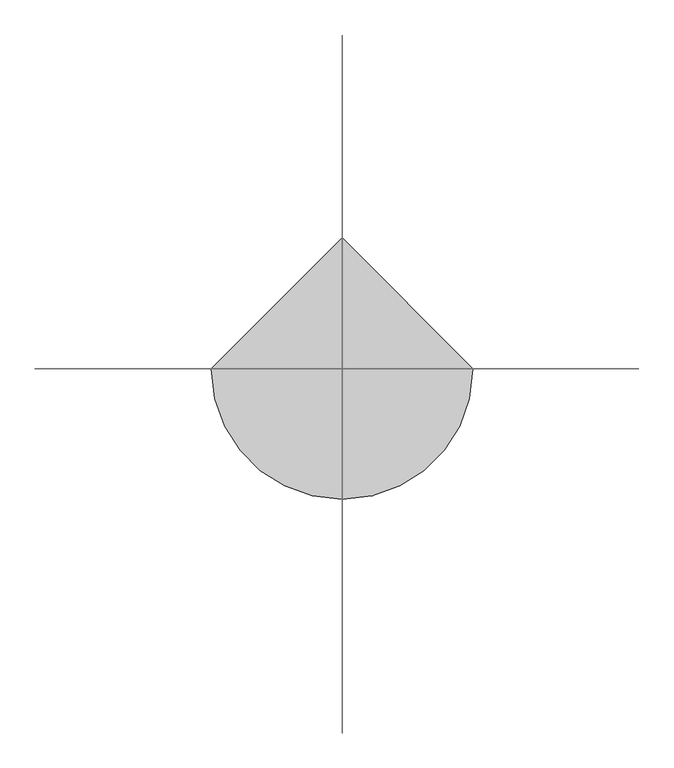
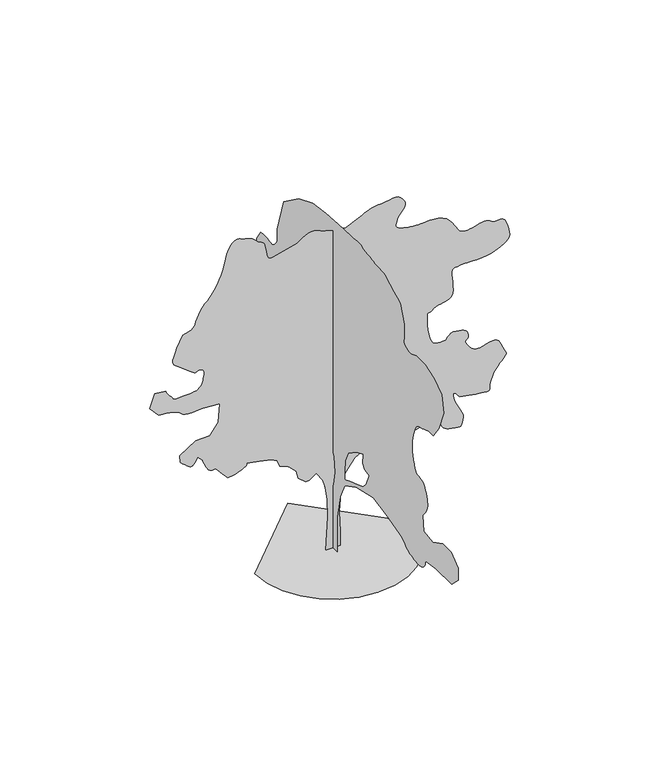
"""IFC4 building model written with IfcOpenShell, lengths in millimetres: geographic element geometry."""

from ifc_helpers import new_model, si_unit, origin, place, context, project, spatial, triangles, source, transform, mapped, element, save


def geographic_element_c53e9e7f(model_context):
    return source(origin(), model_context, "Body", "Tessellation", [
        triangles([(154.5387321, 0.0003833, 0.0187505), (-149.642156, 0.0003833, 0.0187505), (-106.1871776, 0.0003405, 717.0148825), (-117.051113, 0.0003185, 1086.3780928), (-160.5051012, 0.0003017, 1368.8308376), (-203.9600796, 0.0002913, 1542.6492977), (-345.1849986, 0.0002797, 1738.1941933), (-486.4138418, 0.0002855, 1640.4205101), (-562.4586551, 0.0002862, 1629.557365), (-714.5482452, 0.0002784, 1759.9204834), (-758.0034416, 0.000268, 1933.7389435), (-910.0929955, 0.000259, 2085.8284973), (-1094.7746733, 0.0002544, 2161.8732742), (-1149.0930874, 0.0002467, 2292.2365379), (-1268.5930607, 0.0002428, 2357.4181698), (-1518.4538269, 0.0002395, 2411.7365112), (-1768.3170639, 0.0002369, 2455.1893822), (-1766.353521, 0.0002375, 2445.7838516), (-1766.5756004, 0.0002381, 2435.806263), (-1771.1684887, 0.0002388, 2424.6890636), (-1782.3178082, 0.0002395, 2411.8623756), (-1802.2065651, 0.0002404, 2396.7539955), (-1833.0250328, 0.0002415, 2378.7966614), (-1876.9538921, 0.0002428, 2357.4181698), (-1925.9491573, 0.000244, 2336.6735058), (-1970.9560032, 0.000245, 2320.4872845), (-2012.6351452, 0.0002457, 2308.1046101), (-2051.6577633, 0.0002463, 2298.760849), (-2088.6823929, 0.0002467, 2291.6987801), (-2124.375127, 0.000247, 2286.1562405), (-2159.4067097, 0.0002473, 2281.3733929), (-2278.906683, 0.0002395, 2411.7365112), (-2409.2699467, 0.0002305, 2563.8260651), (-2434.8615532, 0.0002307, 2559.4600525), (-2460.35709, 0.0002309, 2556.7962616), (-2485.6575806, 0.0002308, 2557.5607498), (-2510.6941338, 0.0002305, 2563.4560295), (-2535.3362343, 0.0002297, 2576.1840317), (-2559.4847603, 0.0002285, 2597.4713951), (-2583.0908775, 0.0002266, 2628.995343), (-2604.4767815, 0.0002244, 2664.9841347), (-2622.4341156, 0.0002224, 2698.6785896), (-2637.5299965, 0.0002205, 2730.4740326), (-2650.3568298, 0.0002187, 2760.7646255), (-2661.4814415, 0.000217, 2789.8959869), (-2671.4468216, 0.0002153, 2818.2872772), (-2680.8692116, 0.0002136, 2846.2838242), (-2778.6231285, 0.0002078, 2944.0624489), (-2843.8171143, 0.0002136, 2846.2838242), (-2855.5832565, 0.0002147, 2827.9317467), (-2868.2371353, 0.0002157, 2811.3065987), (-2882.568528, 0.0002165, 2798.1100204), (-2899.4898788, 0.000217, 2790.0192352), (-2919.8150917, 0.0002171, 2788.7858803), (-2944.4324844, 0.0002166, 2796.1118866), (-2974.180378, 0.0002156, 2813.6991852), (-3007.1350525, 0.0002141, 2838.6124901), (-3039.7443993, 0.0002125, 2865.4498055), (-3070.2323639, 0.0002109, 2892.0897491), (-3096.9461403, 0.0002094, 2916.4356468), (-3118.1349632, 0.0002083, 2936.4158226), (-3132.0963203, 0.0002074, 2949.9330208), (-3137.1282806, 0.0002072, 2954.9158562), (-3147.9816879, 0.0001981, 3107.0103516), (-2822.0858826, 0.0001858, 3313.4207176), (-2528.7747162, 0.0001851, 3324.2741249), (-2354.9514599, 0.0001715, 3552.4157227), (-2322.3594086, 0.0001482, 3943.5055138), (-2680.8692116, 0.0001463, 3976.0901527), (-2757.4098885, 0.0001468, 3967.0866325), (-2832.3471748, 0.0001472, 3960.0074135), (-2904.0532631, 0.0001474, 3956.702092), (-2970.924472, 0.0001473, 3959.1193863), (-3031.3082863, 0.0001467, 3969.134182), (-3083.6263138, 0.0001455, 3988.645491), (-3126.2748734, 0.0001437, 4019.5526161), (-3169.2196358, 0.0001417, 4052.6799545), (-3222.4253998, 0.0001402, 4078.3827461), (-3284.1908157, 0.000139, 4097.9431801), (-3352.7886635, 0.0001382, 4112.5457771), (-3426.5173027, 0.0001375, 4123.4238922), (-3503.6745117, 0.000137, 4131.8600052), (-3582.5336517, 0.0001366, 4139.0377647), (-3767.2127861, 0.0001243, 4345.4484215), (-3658.5810448, 0.0001074, 4627.9061806), (-3441.3172714, 0.0001087, 4606.1746582), (-3427.2817909, 0.0001103, 4580.6201134), (-3412.8765656, 0.0001118, 4555.3367729), (-3397.7065613, 0.0001132, 4530.6455475), (-3381.3773254, 0.0001147, 4506.7929337), (-3363.5432396, 0.000116, 4484.0748436), (-3343.8101418, 0.0001173, 4462.812188), (-3321.807415, 0.0001184, 4443.2270462), (-3305.3055153, 0.0001195, 4424.7517204), (-3297.5600578, 0.0001206, 4407.2382545), (-3291.3194504, 0.0001215, 4391.624382), (-3279.3806442, 0.0001223, 4378.8716721), (-3254.5167549, 0.0001228, 4369.9175674), (-3209.5000259, 0.0001231, 4365.6998016), (-3137.1282806, 0.000123, 4367.1796532), (-3056.9122467, 0.0001227, 4371.8415779), (-2991.4964722, 0.0001224, 4376.5037933), (-2938.4383736, 0.0001221, 4381.1410103), (-2895.2718224, 0.0001219, 4385.802935), (-2859.529818, 0.0001216, 4390.4648598), (-2828.6965256, 0.0001213, 4395.1270752), (-2800.3546509, 0.000121, 4399.7642921), (-2772.6046005, 0.0001198, 4420.8295761), (-2746.0140724, 0.0001185, 4442.5608078), (-2721.6925919, 0.0001171, 4465.6242256), (-2700.775264, 0.0001156, 4490.6607788), (-2684.4460281, 0.000114, 4518.3861214), (-2673.7899925, 0.0001121, 4549.4167854), (-2669.9913872, 0.00011, 4584.4434265), (-2666.1433662, 0.0001077, 4623.3427963), (-2657.7072533, 0.0001053, 4664.1414688), (-2649.4688026, 0.0001029, 4704.7427696), (-2646.1878983, 0.0001006, 4743.0747322), (-2652.5767525, 9.85e-05, 4777.0159744), (-2673.419957, 9.69e-05, 4804.5192375), (-2713.4538506, 9.58e-05, 4823.4631393), (-2753.6112831, 9.55e-05, 4827.7059036), (-2778.0065964, 9.61e-05, 4818.8259224), (-2796.1118866, 9.68e-05, 4806.3447075), (-2817.4730827, 9.72e-05, 4799.7584816), (-2851.5378639, 9.67e-05, 4808.5646301), (-2907.8518684, 9.47e-05, 4842.2590851), (-2995.9116096, 9.06e-05, 4910.363649), (-3093.6164017, 8.61e-05, 4986.2136703), (-3172.3275856, 8.27e-05, 5042.3055954), (-3231.6507088, 8.01e-05, 5086.8040421), (-3271.1913185, 7.76e-05, 5127.8986267), (-3290.6040871, 7.49e-05, 5173.7051331), (-3289.4939804, 7.14e-05, 5232.460849), (-3267.4915443, 6.66e-05, 5312.3065567), (-3236.1646774, 6.15e-05, 5397.8257553), (-3207.1321472, 5.73e-05, 5469.6550919), (-3179.9742119, 5.37e-05, 5530.0886124), (-3154.3702515, 5.06e-05, 5581.3953644), (-3129.876107, 4.8e-05, 5625.8688126), (-3106.1470322, 4.56e-05, 5665.7797485), (-3082.81241, 4.33e-05, 5703.3960571), (-3038.7575409, 4.28e-05, 5712.9669846), (-2995.7389458, 4.21e-05, 5724.0424713), (-2954.817025, 4.13e-05, 5738.1764923), (-2917.0277618, 4.01e-05, 5756.8736069), (-2883.4318474, 3.87e-05, 5781.6389557), (-2855.0652649, 3.67e-05, 5814.0015152), (-2832.9392899, 3.43e-05, 5855.4908432), (-2817.1771706, 3.18e-05, 5897.3749146), (-2805.2139473, 2.97e-05, 5932.401265), (-2794.1878761, 2.78e-05, 5964.3940796), (-2781.2625023, 2.58e-05, 5997.1269653), (-2763.5766632, 2.36e-05, 6034.4473618), (-2738.3180305, 2.09e-05, 6080.10504), (-2702.5760262, 1.74e-05, 6137.9486023), (-2665.3294624, 1.43e-05, 6190.7349152), (-2634.7426666, 1.22e-05, 6225.120607), (-2606.8199524, 1.07e-05, 6250.5516129), (-2577.5406349, 9.2e-06, 6276.5506073), (-2542.9581528, 7e-06, 6312.612941), (-2499.0515305, 3.7e-06, 6368.2612885), (-2441.8593819, -1.3e-06, 6452.9910004), (-2383.0122471, -7.2e-06, 6551.6820694), (-2335.568486, -1.27e-05, 6643.9107422), (-2297.6237091, -1.79e-05, 6731.2059952), (-2267.2812298, -2.29e-05, 6815.0723877), (-2242.6392746, -2.78e-05, 6897.0400589), (-2221.8008663, -3.27e-05, 6978.6368225), (-2202.8594353, -3.76e-05, 7061.3445648), (-2179.771455, -4.26e-05, 7144.3970535), (-2148.5114445, -4.72e-05, 7222.8864487), (-2110.218869, -5.14e-05, 7292.248494), (-2066.0359554, -5.47e-05, 7347.9212585), (-2017.1023144, -5.69e-05, 7385.3654846), (-1964.559882, -5.78e-05, 7399.9924988), (-1909.5434727, -5.7e-05, 7387.2647873), (-1854.9734024, -5.56e-05, 7363.9795807), (-1802.870042, -5.47e-05, 7347.3538513), (-1753.0508446, -5.38e-05, 7333.3924942), (-1705.3209091, -5.29e-05, 7318.0992416), (-1659.4902763, -5.17e-05, 7297.4778259), (-1615.3714577, -4.99e-05, 7267.5325607), (-1572.7721684, -4.73e-05, 7224.3165939), (-1533.465992, -4.5e-05, 7185.4666397), (-1499.1028278, -4.38e-05, 7165.0673035), (-1469.2981064, -4.31e-05, 7153.6220718), (-1443.6768505, -4.24e-05, 7141.5850159), (-1421.8543453, -4.11e-05, 7119.4834579), (-1403.4529976, -3.86e-05, 7077.797049), (-1388.0905632, -3.44e-05, 7007.0281128), (-1375.106036, -2.96e-05, 6926.4673325), (-1362.6913868, -2.57e-05, 6861.273056), (-1348.7547375, -2.27e-05, 6810.9284546), (-1331.2092968, -2.05e-05, 6774.8167053), (-1307.9610065, -1.92e-05, 6752.3948181), (-1276.9229301, -1.86e-05, 6743.0703873), (-1236.0010094, -1.88e-05, 6746.3021667), (-736.2770788, -2.66e-05, 6876.6651398), (-678.0613008, -2.91e-05, 6918.1050522), (-619.7543221, -3.14e-05, 6956.6835114), (-561.2549131, -3.33e-05, 6989.5396454), (-502.4718369, -3.48e-05, 7013.8858337), (-443.306444, -3.55e-05, 7026.7862091), (-383.6674244, -3.55e-05, 7025.4793121), (-323.4585995, -3.44e-05, 7007.0281128), (-263.8837293, -3.28e-05, 6981.3256119), (-206.018257, -3.15e-05, 6959.5943802), (-149.57827, -3.04e-05, 6941.1931778), (-94.2786203, -2.95e-05, 6925.4557663), (-39.8339149, -2.87e-05, 6911.6920715), (14.0404504, -2.79e-05, 6899.2846893), (67.6297655, -2.72e-05, 6887.5429642), (263.1757965, -2.6e-05, 6865.8117325), (567.3549768, -3.37e-05, 6996.1752869), (611.7598246, -3.54e-05, 7023.9247559), (657.2106113, -3.7e-05, 7050.5155746), (704.7506601, -3.84e-05, 7074.8367645), (755.4257647, -3.97e-05, 7095.7540924), (810.2819366, -4.06e-05, 7112.0833282), (870.3649698, -4.13e-05, 7122.7396545), (936.7181871, -4.15e-05, 7126.5382599), (1008.7398811, -4.18e-05, 7131.6687607), (1083.2331539, -4.25e-05, 7143.6319839), (1157.346508, -4.33e-05, 7157.3224274), (1228.2285187, -4.39e-05, 7167.583429), (1293.0303772, -4.4e-05, 7169.2856506), (1348.9002228, -4.33e-05, 7157.3224274), (1392.9893921, -4.15e-05, 7126.5382599), (1427.384531, -3.91e-05, 7086.4302429), (1455.3195992, -3.69e-05, 7049.1836792), (1475.6522243, -3.48e-05, 7013.6637543), (1487.2455574, -3.27e-05, 6978.6862381), (1488.9550461, -3.06e-05, 6943.1418961), (1479.6432598, -2.83e-05, 6905.8953323), (1458.1685532, -2.6e-05, 6865.8117325), (1431.5655258, -2.38e-05, 6829.329657), (1407.6216385, -2.21e-05, 6801.3825256), (1386.3368912, -2.08e-05, 6778.5908936), (1367.713464, -1.95e-05, 6757.5009018), (1351.7517929, -1.81e-05, 6734.6842712), (1338.4489712, -1.65e-05, 6706.761557), (1327.8052895, -1.43e-05, 6670.254483), (1316.5943459, -1.2e-05, 6630.8865372), (1304.6237103, -9.9e-06, 6596.0822662), (1296.4515347, -8e-06, 6565.0760193), (1296.641494, -6.4e-06, 6537.1038895), (1309.7543564, -4.8e-06, 6511.426387), (1340.3482738, -3.4e-06, 6487.2528625), (1392.9893921, -2e-06, 6463.8444077), (1459.1822994, -8e-07, 6443.7409836), (1526.1375149, 1e-07, 6429.3354675), (1591.9529743, 6e-07, 6419.6662903), (1654.727195, 1e-06, 6413.8201355), (1712.5605835, 1.2e-06, 6410.8110168), (1763.5539825, 1.2e-06, 6409.7012009), (1805.8054733, 1.2e-06, 6409.528537), (1853.5354088, 1.1e-06, 6412.1679108), (1918.9389748, 8e-07, 6417.2734131), (1997.0730137, 6e-07, 6420.652858), (2082.9993095, 7e-07, 6418.161731), (2171.7770302, 1.5e-06, 6405.5816849), (2258.463018, 3.1e-06, 6378.7443695), (2338.1213825, 5.8e-06, 6333.4808533), (2404.5683441, 9.3e-06, 6273.6641556), (2457.3351814, 1.32e-05, 6208.69254), (2500.0380981, 1.71e-05, 6142.7831909), (2536.2733864, 2.09e-05, 6080.10504), (2569.6475121, 2.42e-05, 6024.8520172), (2603.7861259, 2.68e-05, 5981.1674744), (2642.2907524, 2.84e-05, 5953.2691772), (2685.4820114, 2.93e-05, 5939.3822342), (2730.9179008, 2.96e-05, 5934.0784882), (2778.2778008, 2.95e-05, 5935.879541), (2827.1425507, 2.9e-05, 5943.3779205), (2877.1418243, 2.83e-05, 5955.1684799), (2927.930294, 2.75e-05, 5969.7960754), (2979.0643822, 2.65e-05, 5985.8538162), (3025.5115471, 2.6e-05, 5994.8823349), (3071.169516, 2.55e-05, 6002.2080505), (3115.3229256, 2.53e-05, 6006.1054871), (3157.2069969, 2.54e-05, 6004.8718414), (3196.0322433, 2.58e-05, 5996.7816376), (3231.0588844, 2.68e-05, 5980.1559082), (3261.5221413, 2.84e-05, 5953.2691772), (3295.4880913, 2.96e-05, 5933.5360794), (3338.9261375, 2.97e-05, 5932.4262634), (3388.0865089, 2.93e-05, 5939.3078201), (3439.1464737, 2.9e-05, 5943.5011688), (3488.3071358, 2.96e-05, 5934.4243973), (3531.745182, 3.15e-05, 5901.3955994), (3565.711132, 3.56e-05, 5833.7596115), (3592.474324, 4.06e-05, 5749.3008133), (3614.8717941, 4.52e-05, 5672.809552), (3629.8444267, 4.92e-05, 5604.3102448), (3634.3831032, 5.28e-05, 5543.7784744), (3625.4042908, 5.6e-05, 5491.2386581), (3599.9238693, 5.86e-05, 5446.6657974), (3554.833017, 6.08e-05, 5410.0854721), (3500.9613052, 6.27e-05, 5377.6484985), (3448.4211983, 6.46e-05, 5346.1742569), (3393.2173004, 6.64e-05, 5316.5987366), (3331.353344, 6.8e-05, 5289.8602524), (3258.8580597, 6.93e-05, 5266.9203735), (3171.7354706, 7.04e-05, 5248.7406693), (3065.9895996, 7.12e-05, 5236.2594543), (2962.6116074, 7.15e-05, 5229.969722), (2881.4584213, 7.16e-05, 5228.4157471), (2816.8565506, 7.16e-05, 5229.722644), (2763.0586716, 7.14e-05, 5231.9672745), (2714.4160011, 7.14e-05, 5233.2503357), (2665.2059235, 7.14e-05, 5231.6963608), (2609.7061134, 7.18e-05, 5225.4060471), (2556.2041466, 7.22e-05, 5218.7215714), (2515.6522614, 7.25e-05, 5214.5032242), (2486.2741127, 7.28e-05, 5208.5832367), (2466.4250336, 7.35e-05, 5196.7682602), (2454.3580376, 7.48e-05, 5174.8887817), (2448.3714844, 7.7e-05, 5138.752034), (2446.7558853, 8.02e-05, 5084.1896667), (2451.1268394, 8.46e-05, 5010.8557709), (2460.4384804, 8.97e-05, 4925.9533951), (2468.983017, 9.5e-05, 4836.4626366), (2471.0796913, 0.0001002, 4749.4632957), (2461.008213, 0.0001048, 4671.960759), (2433.0731449, 0.0001084, 4610.9848297), (2381.5741081, 0.0001107, 4573.5900192), (2319.0219669, 0.0001118, 4553.8569214), (2261.6006172, 0.0001127, 4539.4514053), (2209.119809, 0.0001134, 4527.6855537), (2161.3898735, 0.0001141, 4515.9441193), (2118.2207062, 0.000115, 4501.5388939), (2079.4201675, 0.0001161, 4481.8055054), (2044.8029491, 0.0001178, 4454.0801628), (2014.8403885, 0.0001191, 4432.4474716), (1990.0109447, 0.0001195, 4426.0342003), (1970.119717, 0.0001195, 4424.7270126), (1954.9818329, 0.0001199, 4418.4864052), (1944.4023914, 0.0001212, 4397.2481667), (1938.1937588, 0.0001239, 4350.8995422), (1936.1661209, 0.0001288, 4269.4010284), (1940.60117, 0.000135, 4165.1844246), (1953.0184353, 0.0001412, 4060.746032), (1972.08326, 0.0001472, 3961.2654762), (1996.4711609, 0.0001525, 3871.8488411), (2024.8500973, 0.0001569, 3797.6516258), (2055.8881737, 0.0001601, 3743.7796234), (2088.2581455, 0.0001618, 3715.3636253), (2125.4407597, 0.0001625, 3704.510218), (2168.895956, 0.0001628, 3698.9602661), (2214.2504551, 0.0001629, 3697.4062912), (2257.1359188, 0.0001628, 3698.5163979), (2293.1763062, 0.0001627, 3700.9584), (2318.0082207, 0.0001625, 3703.4004021), (2327.2582375, 0.0001625, 3704.510218), (2330.7090443, 0.000162, 3712.8230827), (2341.5723347, 0.0001607, 3733.8883667), (2360.60751, 0.0001591, 3761.7863731), (2388.5745529, 0.0001573, 3790.6462395), (2426.2331554, 0.0001559, 3814.5729767), (2474.3355972, 0.0001551, 3827.6463066), (2533.6587204, 0.0001554, 3823.9956573), (2594.8320213, 0.0001561, 3811.5141518), (2647.8159966, 0.0001568, 3799.9947968), (2692.4379822, 0.0001576, 3786.3787674), (2728.5006065, 0.0001587, 3767.6322372), (2755.8559135, 0.0001603, 3740.6963814), (2774.2571159, 0.0001626, 3702.5617905), (2783.5318405, 0.0001657, 3650.1943474), (2780.0538551, 0.0001685, 3602.8344475), (2764.9579742, 0.0001701, 3575.9971321), (2745.3234169, 0.000171, 3560.9750839), (2728.1552788, 0.0001717, 3548.9624451), (2720.5086525, 0.0001728, 3531.2518982), (2729.3639259, 0.0001747, 3499.1111275), (2761.8006088, 0.000178, 3443.7839813), (2805.9293106, 0.0001816, 3384.041407), (2846.0370369, 0.0001841, 3342.3547073), (2883.5056801, 0.0001857, 3315.4926842), (2919.6671356, 0.0001866, 3300.2488472), (2955.8035927, 0.000187, 3293.3420013), (2993.2722359, 0.0001871, 3291.565947), (3033.3802528, 0.0001871, 3291.6894859), (3083.0836143, 0.0001865, 3301.1859993), (3144.9475708, 0.0001852, 3322.4733627), (3213.8169136, 0.0001839, 3344.6978783), (3284.6099762, 0.0001832, 3357.0561356), (3352.1721313, 0.0001837, 3348.694146), (3411.3720062, 0.0001861, 3308.7835007), (3457.0791, 0.000191, 3226.4955002), (3493.1417244, 0.0001964, 3135.4754745), (3524.8386269, 0.0002002, 3071.6383827), (3549.1351089, 0.0002028, 3027.5343887), (3562.9732178, 0.0002047, 2995.8130692), (3563.3432533, 0.0002063, 2969.0004616), (3547.1372658, 0.0002081, 2939.7458519), (3511.3952614, 0.0002104, 2900.5996948), (3469.3632339, 0.000213, 2857.4331436), (3435.54524, 0.0002153, 2820.3839516), (3408.510553, 0.0002173, 2788.4158447), (3386.9272774, 0.0002191, 2760.5178383), (3369.4385193, 0.0002207, 2735.6786568), (3354.6879662, 0.0002222, 2712.886734), (3341.2940163, 0.0002237, 2691.0813789), (3337.963987, 0.0002234, 2693.4739655), (3333.4253105, 0.0002233, 2692.0926544), (3326.4940475, 0.0002237, 2683.2620888), (3315.9612602, 0.0002247, 2663.2327881), (3300.6185921, 0.0002267, 2628.2799797), (3279.2326881, 0.0002298, 2574.6547646), (3250.668734, 0.0002343, 2498.6567871), (3229.134874, 0.000239, 2421.0802723), (3223.3628426, 0.0002424, 2363.6563065), (3223.8561264, 0.0002448, 2323.9084419), (3221.1429199, 0.0002462, 2299.3627018), (3205.6767128, 0.0002469, 2287.5499054), (3167.9862808, 0.000247, 2285.9959305), (3098.5742386, 0.0002467, 2292.2365379), (3013.9183594, 0.0002461, 2301.8638573), (2936.0952026, 0.0002455, 2312.0635254), (2863.9699539, 0.0002448, 2322.7368565), (2796.4077988, 0.0002442, 2333.7899609), (2732.2745041, 0.0002435, 2345.1292397), (2670.4352554, 0.0002428, 2356.6583324), (2609.7061134, 0.0002421, 2368.2813148), (2570.6340797, 0.0002393, 2416.1074654), (2534.4976227, 0.0002368, 2457.5648186), (2504.2314468, 0.0002351, 2486.2988205), (2482.8208351, 0.0002345, 2495.9188728), (2473.2007828, 0.0002355, 2480.0829208), (2478.3068665, 0.0002383, 2432.4170803), (2501.0740814, 0.0002434, 2346.5548794), (2537.5067413, 0.0002493, 2247.0398781), (2578.280706, 0.0002545, 2161.0173672), (2618.5119713, 0.0002589, 2086.0184566), (2653.2179924, 0.0002629, 2019.5690243), (2677.4900574, 0.0002665, 1959.2023602), (2686.3453308, 0.0002699, 1902.4468128), (2674.9000992, 0.0002732, 1846.8285507), (2657.8799171, 0.0002761, 1797.4532215), (2649.2467232, 0.0002784, 1760.4261211), (2642.6854958, 0.0002799, 1734.8050106), (2631.9553368, 0.0002808, 1719.6325356), (2610.7668045, 0.0002811, 1713.9641315), (2572.8540024, 0.0002809, 1716.8452057), (2511.9274887, 0.0002803, 1727.3284321), (2443.842691, 0.0002795, 1740.8853081), (2387.5286865, 0.0002787, 1754.6319981), (2341.4761196, 0.0002778, 1770.0881767), (2304.1677864, 0.0002767, 1788.7730827), (2274.0793613, 0.0002753, 1812.2113323), (2249.6914604, 0.0002735, 1841.9198387), (2229.4845543, 0.0002713, 1879.420602), (2216.7196358, 0.0002688, 1919.8663891), (2212.5089916, 0.0002666, 1956.8910187), (2212.0970982, 0.0002647, 1989.7346535), (2210.735408, 0.000263, 2017.6376015), (2203.6710136, 0.0002617, 2039.8400253), (2186.1576931, 0.0002608, 2055.5797623), (2153.4397774, 0.0002603, 2064.1022072), (2114.7033337, 0.00026, 2067.8070683), (2081.6697395, 0.0002599, 2069.802586), (2053.3870182, 0.0002599, 2070.372464), (2028.9029022, 0.0002599, 2069.802586), (2007.2726818, 0.00026, 2068.3769463), (1987.5392933, 0.0002601, 2066.3812832), (1968.7581722, 0.0002603, 2064.1022072), (1708.0317902, 0.0002661, 1966.328524), (1534.2133301, 0.000259, 2085.8284973), (1341.0438709, 0.0002626, 2015.5359856), (1370.1210205, 0.0002638, 1997.904213), (1395.1330112, 0.000265, 1979.658379), (1412.0148296, 0.0002662, 1960.1839863), (1416.7014622, 0.0002676, 1938.8646481), (1405.1278954, 0.0002691, 1915.0860123), (1373.2314411, 0.0002707, 1888.2338722), (1316.9446152, 0.0002726, 1857.6916958), (1256.1339375, 0.0002741, 1830.8988544), (1209.5731894, 0.0002751, 1814.9345673), (1171.566861, 0.0002755, 1808.6643105), (1136.4119574, 0.0002753, 1810.9435318), (1098.4055563, 0.0002748, 1820.6374168), (1051.847279, 0.0002738, 1836.5992332), (991.0366013, 0.0002726, 1857.6916958), (708.5813856, 0.0002674, 1944.6020885), (447.8549672, 0.0002758, 1803.3756798), (252.3101443, 0.0002913, 1542.6492977), (187.1297842, 0.0003023, 1357.9676926), (165.4019135, 0.0003159, 1129.8333618), (132.8118606, 0.0003386, 749.6069338), (154.5387321, 0.0003658, 293.3357107), (-0.0001194, -152.9413187, 0.0155948), (-0.0001194, 162.1054759, 0.0156136), (-9.83e-05, 172.6070515, 682.6172728), (-8.43e-05, 225.1146749, 1029.1687941), (-7.02e-05, 393.1394116, 1375.7202427), (-6.32e-05, 550.6630451, 1606.752943), (-5.62e-05, 823.7030651, 1795.7809399), (-4.21e-05, 1296.2739292, 2005.8124512), (-2.81e-05, 1852.8569618, 2068.8208145), (-2.81e-05, 2178.4049686, 1869.2924412), (-2.81e-05, 2419.9406616, 1837.7881142), (-2.11e-05, 2556.4509338, 2100.3276123), (-1.4e-05, 2776.9953209, 2131.831794), (-7e-06, 3239.0508385, 2163.336121), (0.0, 3512.1106247, 2184.3396355), (7e-06, 3648.6156647, 2289.3554638), (7e-06, 3638.1322929, 2457.3796555), (1.4e-05, 3806.1368637, 2562.3953384), (1.4e-05, 3853.1514359, 2571.5221069), (1.4e-05, 3898.5873253, 2581.3886559), (1.4e-05, 3940.8908478, 2592.7106392), (2.11e-05, 3978.5074471, 2606.2281281), (2.11e-05, 4009.9081467, 2622.70532), (2.11e-05, 4033.4645576, 2642.8581596), (2.11e-05, 4047.672702, 2667.401429), (2.11e-05, 4056.0593994, 2696.8534103), (2.11e-05, 4063.3606979, 2730.7205292), (2.11e-05, 4069.7245537, 2768.2632957), (2.81e-05, 4075.348629, 2808.7413483), (2.81e-05, 4080.4300049, 2851.4146156), (2.81e-05, 4085.166053, 2895.5677345), (2.81e-05, 4089.6800217, 2940.4612152), (3.51e-05, 3911.1673714, 3160.9808945), (2.81e-05, 3522.5937057, 3181.9967628), (2.11e-05, 3291.565947, 3013.967775), (2.11e-05, 3277.4566338, 3011.1804451), (2.11e-05, 3240.3827339, 3004.5203865), (2.11e-05, 3188.2373703, 2996.6022652), (1.4e-05, 3128.9389549, 2989.9669144), (1.4e-05, 3070.3556122, 2987.1795845), (1.4e-05, 3020.4304619, 2990.8058167), (1.4e-05, 2987.0316284, 3003.4596954), (1.4e-05, 2964.2149979, 3024.8208916), (1.4e-05, 2940.8556679, 3052.2750298), (1.4e-05, 2917.0277618, 3084.7361298), (1.4e-05, 2892.854528, 3121.2676208), (2.11e-05, 2868.3850914, 3160.8329384), (2.11e-05, 2843.7432816, 3202.4208069), (2.11e-05, 2819.0026405, 3244.9955338), (2.81e-05, 2766.4872414, 3507.5472404), (3.51e-05, 2987.0316284, 3675.5518112), (4.92e-05, 3155.060907, 3959.0946785), (4.92e-05, 2882.0011208, 4211.1385963), (4.21e-05, 2598.4579628, 4116.6158775), (3.51e-05, 2419.9406616, 3969.602758), (3.51e-05, 2220.4096722, 4106.1325058), (4.21e-05, 2220.4096722, 4337.1602646), (5.62e-05, 2409.437669, 4547.1968628), (5.62e-05, 2449.8219772, 4569.6681656), (5.62e-05, 2489.4808937, 4591.9420967), (5.62e-05, 2527.6401924, 4613.8707001), (5.62e-05, 2563.6286934, 4635.2321869), (5.62e-05, 2596.6574913, 4655.8780197), (6.32e-05, 2626.0106415, 4675.5867004), (6.32e-05, 2650.973362, 4694.2099823), (6.32e-05, 2670.4105476, 4720.1839783), (6.32e-05, 2684.347197, 4760.4646591), (6.32e-05, 2693.6960449, 4812.7085632), (7.02e-05, 2699.3445374, 4874.4736885), (7.02e-05, 2702.2554062, 4943.4418625), (7.02e-05, 2703.3405144, 5017.1455032), (7.02e-05, 2703.4887611, 5093.2670197), (7.73e-05, 2566.9587227, 5303.3036179), (7.73e-05, 2562.0255936, 5304.437851), (7.73e-05, 2548.1133614, 5307.2254715), (7.73e-05, 2526.4562531, 5310.7525818), (7.73e-05, 2498.3855827, 5314.0826111), (7.73e-05, 2465.1620293, 5316.3028244), (7.73e-05, 2428.0831879, 5316.5249039), (7.73e-05, 2388.4364799, 5313.811116), (7.73e-05, 2346.3082375, 5307.7184647), (7.02e-05, 2302.157444, 5299.7759262), (7.02e-05, 2257.8241035, 5292.0304688), (7.02e-05, 2215.1458946, 5286.4808075), (7.02e-05, 2175.9555542, 5285.1733292), (7.02e-05, 2142.0930862, 5290.106749), (7.02e-05, 2115.39646, 5303.3036179), (7.02e-05, 2093.8107136, 5322.2228119), (7.02e-05, 2073.8799534, 5342.794812), (7.02e-05, 2055.325708, 5364.7481232), (7.02e-05, 2037.874157, 5387.8112503), (7.02e-05, 2021.2488636, 5411.6888626), (7.02e-05, 2005.1735367, 5436.1088837), (7.02e-05, 1989.3769718, 5460.8248169), (8.43e-05, 1978.8739792, 5723.3518158), (9.83e-05, 1758.3418007, 6458.4668289), (0.0001054, 1222.7624279, 6847.0407852), (0.0001054, 718.6873095, 7057.0523849), (9.83e-05, 256.6194198, 7120.0758636), (9.13e-05, -194.9473848, 7151.5751038), (8.43e-05, -636.0121233, 7172.5906815), (8.43e-05, -674.6820013, 7174.7864777), (8.43e-05, -731.9036539, 7179.9169785), (8.43e-05, -800.516399, 7185.8119675), (8.43e-05, -873.3545403, 7190.2029785), (8.43e-05, -943.2523813, 7190.9430496), (7.73e-05, -1003.0467693, 7185.8119675), (7.73e-05, -1045.5745514, 7172.5906815), (7.73e-05, -1089.3258053, 7155.7928696), (7.73e-05, -1152.5488358, 7141.2396881), (7.73e-05, -1227.7129978, 7128.4869781), (7.73e-05, -1307.2851757, 7117.2144104), (7.02e-05, -1383.7344337, 7107.0516586), (7.02e-05, -1449.5302723, 7097.628978), (7.02e-05, -1497.1394302, 7088.5760422), (7.02e-05, -1540.7992653, 7082.3107269), (7.02e-05, -1596.950489, 7079.7457672), (7.02e-05, -1661.3674873, 7078.0929611), (6.32e-05, -1729.8272621, 7074.6152664), (6.32e-05, -1798.1020191, 7066.5244812), (6.32e-05, -1861.9689056, 7051.0829819), (6.32e-05, -1917.2024529, 7025.5531448), (6.32e-05, -1970.689595, 6993.1411697), (5.62e-05, -2031.3424335, 6959.0519714), (5.62e-05, -2097.9645298, 6923.6058792), (5.62e-05, -2169.3620613, 6887.049971), (4.92e-05, -2244.3438217, 6849.6551605), (4.92e-05, -2321.7107563, 6811.7179413), (4.92e-05, -2400.2739841, 6773.509227), (3.51e-05, -2547.2994576, 6405.9764282), (2.11e-05, -2536.791378, 6069.9178711), (2.11e-05, -2528.1828918, 6054.0822098), (2.11e-05, -2521.9667015, 6037.8018082), (2.11e-05, -2520.5362656, 6020.5848358), (2.11e-05, -2526.2588814, 6002.0109695), (2.11e-05, -2541.5521339, 5981.5866348), (2.11e-05, -2568.7594849, 5958.8688354), (2.11e-05, -2610.2979378, 5933.3878326), (2.11e-05, -2660.1248383, 5913.1367432), (1.4e-05, -2710.4938568, 5904.9721252), (1.4e-05, -2761.307325, 5906.9452606), (1.4e-05, -2812.490538, 5916.9847641), (1.4e-05, -2863.9699539, 5933.0919205), (1.4e-05, -2915.621743, 5953.2447601), (1.4e-05, -2967.3476555, 5975.3951523), (7e-06, -3292.8981331, 5975.3951523), (0.0, -3618.44832, 5870.3893524), (-7e-06, -3881.0000267, 5681.3689133), (-2.11e-05, -3943.9987976, 5313.811116), (-2.81e-05, -3765.4861473, 4872.7470497), (-3.51e-05, -3576.4410004, 4610.195343), (-3.51e-05, -3542.4259254, 4610.0226791), (-3.51e-05, -3506.8565849, 4608.7401993), (-3.51e-05, -3468.1545868, 4605.2375061), (-3.51e-05, -3424.7659561, 4598.4541992), (-3.51e-05, -3375.136718, 4587.2307564), (-3.51e-05, -3317.7126068, 4570.531485), (-2.81e-05, -3250.8908134, 4547.1968628), (-2.81e-05, -3183.8716484, 4524.72556), (-2.81e-05, -3126.2254578, 4508.8649002), (-2.81e-05, -3077.0156708, 4495.9395264), (-2.81e-05, -3035.3536789, 4482.2740814), (-2.81e-05, -3000.30233, 4464.2182068), (-2.81e-05, -2970.9491798, 4438.0715469), (-2.81e-05, -2946.3564949, 4400.1590355), (-3.51e-05, -2922.2818016, 4345.7690414), (-3.51e-05, -2896.57901, 4276.1105026), (-3.51e-05, -2871.3945007, 4196.5357086), (-3.51e-05, -2848.9970306, 4112.3731133), (-4.21e-05, -2831.533271, 4028.950589), (-4.21e-05, -2821.247271, 3951.5713005), (-4.21e-05, -2820.334536, 3885.5881187), (-4.92e-05, -2829.0665611, 3818.100087), (-4.92e-05, -2845.1245926, 3737.9581764), (-4.92e-05, -2866.9052399, 3653.0310928), (-5.62e-05, -2892.706572, 3571.2116684), (-5.62e-05, -2920.9004906, 3500.4433136), (-6.32e-05, -2949.8344803, 3448.5691544), (-6.32e-05, -2977.855735, 3423.5326012), (-6.32e-05, -3011.22957, 3416.5519226), (-6.32e-05, -3054.5196602, 3411.396714), (-6.32e-05, -3103.5076584, 3404.786071), (-6.32e-05, -3153.9755081, 3393.3899643), (-6.32e-05, -3201.656028, 3373.9280708), (-7.02e-05, -3242.3808678, 3343.0700706), (-7.02e-05, -3271.9066818, 3297.5106422), (-7.02e-05, -3294.7974358, 3244.6993309), (-7.02e-05, -3317.5152351, 3193.8861534), (-7.73e-05, -3338.5808098, 3144.5775352), (-7.73e-05, -3356.5381439, 3096.1569443), (-7.73e-05, -3369.8826782, 3048.1310966), (-7.73e-05, -3377.159269, 2999.9075867), (-8.43e-05, -3376.9127724, 2950.9442963), (-8.43e-05, -3368.4272438, 2902.9678642), (-8.43e-05, -3352.7886635, 2857.7537636), (-8.43e-05, -3331.1806801, 2814.8339996), (-8.43e-05, -3304.7875237, 2773.7391243), (-8.43e-05, -3274.8175507, 2734.0258507), (-8.43e-05, -3242.4547005, 2695.2500198), (-8.43e-05, -3208.8834938, 2656.9180573), (-9.83e-05, -3229.8993622, 2320.8596455), (-0.0001054, -3565.9579193, 2278.8524712), (-0.0001054, -3912.4995575, 2457.3796555), (-0.0001054, -4217.033876, 2457.3796555), (-0.0001194, -4458.5697144, 2257.8512821), (-0.0001264, -4469.0775032, 2005.8124512), (-0.0001264, -4227.5416649, 1774.7797508), (-0.0001194, -3660.4556396, 1764.2766129), (-0.0001194, -3303.4059219, 1711.7687714), (-0.0001194, -3293.9588242, 1667.0382168), (-0.0001194, -3281.7241058, 1623.9604683), (-0.0001194, -3264.013559, 1584.1903667), (-0.0001194, -3238.0148552, 1549.3783928), (-0.0001194, -3200.9900803, 1521.1795326), (-0.0001194, -3150.2016106, 1501.2487724), (-0.0001194, -3082.8862427, 1491.2365929), (-0.0001194, -3010.6868706, 1489.7664791), (-0.0001194, -2946.3812027, 1493.6243832), (-0.0001194, -2888.8832588, 1501.7076107), (-0.0001124, -2837.083223, 1512.9137581), (-0.0001124, -2789.8712791, 1526.1399857), (-0.0001124, -2746.1620285, 1540.2837444), (-0.0001124, -2704.8206566, 1554.2451015), (-0.0001124, -2662.5912575, 1573.5344765), (-0.0001124, -2617.796608, 1601.8246101), (-0.0001054, -2571.7194786, 1635.2577438), (-0.0001054, -2525.6420586, 1669.9785896), (-0.0001054, -2480.8474091, 1702.1241566), (-0.0001054, -2438.6380669, 1727.8439529), (-0.0001054, -2400.2739841, 1743.272953), (-9.13e-05, -1906.7017857, 1879.7954338), (-8.43e-05, -1444.6314434, 1963.8076023), (-7.73e-05, -825.0399748, 1816.7845997), (-7.73e-05, -415.4799811, 1596.2524212), (-8.43e-05, -257.9563477, 1270.7045597), (-9.83e-05, -152.9413187, 766.6293686), (-0.0001124, -152.9413187, 346.5663096), (7e-06, 340.6315338, 2110.8281342), (7e-06, 372.1357518, 1932.3009499), (0.0, 340.6315338, 1701.2682495), (-1.4e-05, 214.6130994, 1470.2330784), (-2.11e-05, 67.591532, 1144.6851442), (-2.11e-05, -26.9226526, 1396.7214317), (-7e-06, -79.4302897, 1690.7651115), (0.0, -47.9255585, 2005.8124512), (7e-06, 67.591532, 2247.3481441), (1.4e-05, 172.6070515, 2331.3603127), (-3.51e-05, -1077.0788057, 2688.4172974), (-3.51e-05, -835.5430401, 2583.3867897), (-3.51e-05, -551.9999911, 2394.3712921), (-4.21e-05, -446.9842355, 2163.336121), (-4.92e-05, -425.9805757, 1921.8002827), (-5.62e-05, -425.9805757, 1743.272953), (-5.62e-05, -594.0072744, 1806.2839325), (-5.62e-05, -877.5478889, 1900.7966228), (-5.62e-05, -1077.0788057, 1984.8112621), (-5.62e-05, -1182.0945614, 2100.3276123), (-4.92e-05, -1287.1103897, 2341.8633053), (-4.21e-05, -1129.5866472, 2383.8681541), (-4.21e-05, -1066.5757404, 2488.8887787), (-1602.6040684, 0.0, 9.55e-05), (-1560.2365963, -367.2098534, 7.36e-05), (-1439.5747753, -704.4349091, 5.35e-05), (-1250.2780449, -1002.0107861, 3.58e-05), (-1002.0107861, -1250.2780449, 2.1e-05), (-704.4349091, -1439.5723045, 9.7e-06), (-367.2098534, -1560.2365963, 2.5e-06), (6.32e-05, -1602.6040684, 0.0), (367.2098534, -1560.2365963, 2.5e-06), (704.4349091, -1439.5723045, 9.7e-06), (1002.0107861, -1250.2780449, 2.1e-05), (1250.2780449, -1002.0107861, 3.58e-05), (1439.5723045, -704.4349091, 5.35e-05), (1560.2365963, -367.2098534, 7.36e-05), (1602.6040684, 0.0001401, 9.55e-05), (-0.0002177, 1602.6040684, 0.000191)], [[403, 404, 405], [1, 2, 3], [491, 1, 3], [490, 491, 3], [490, 3, 4], [489, 490, 4], [489, 4, 5], [488, 489, 5], [84, 85, 86], [84, 86, 87], [83, 84, 87], [83, 87, 88], [83, 88, 89], [83, 89, 90], [82, 83, 90], [82, 90, 91], [82, 91, 92], [81, 82, 92], [81, 92, 93], [81, 93, 94], [81, 94, 95], [81, 95, 96], [81, 96, 97], [80, 81, 97], [80, 97, 98], [79, 80, 98], [79, 98, 99], [78, 79, 99], [78, 99, 100], [77, 78, 100], [77, 100, 101], [488, 5, 6], [487, 488, 6], [76, 77, 101], [76, 101, 102], [75, 76, 102], [74, 75, 102], [73, 74, 102], [73, 102, 103], [72, 73, 103], [72, 103, 104], [71, 72, 104], [71, 104, 105], [70, 71, 105], [70, 105, 106], [70, 106, 107], [69, 70, 107], [68, 69, 107], [68, 107, 108], [68, 108, 109], [68, 109, 110], [68, 110, 111], [68, 111, 112], [63, 64, 65], [62, 63, 65], [61, 62, 65], [60, 61, 65], [59, 60, 65], [58, 59, 65], [57, 58, 65], [56, 57, 65], [55, 56, 65], [54, 55, 65], [53, 54, 65], [52, 53, 65], [51, 52, 65], [50, 51, 65], [49, 50, 65], [48, 49, 65], [48, 65, 66], [47, 48, 66], [30, 31, 32], [467, 468, 469], [487, 6, 7], [486, 487, 7], [68, 112, 113], [8, 9, 10], [7, 8, 10], [7, 10, 11], [29, 30, 32], [414, 415, 416], [414, 416, 417], [413, 414, 417], [413, 417, 418], [412, 413, 418], [412, 418, 419], [141, 142, 143], [411, 412, 419], [411, 419, 420], [12, 13, 14], [28, 29, 32], [424, 425, 426], [27, 28, 32], [442, 443, 444], [441, 442, 444], [441, 444, 445], [440, 441, 445], [440, 445, 446], [439, 440, 446], [439, 446, 447], [438, 439, 447], [437, 438, 447], [436, 437, 447], [436, 447, 448], [435, 436, 448], [435, 448, 449], [435, 449, 450], [435, 450, 451], [435, 451, 452], [435, 452, 453], [435, 453, 454], [435, 454, 455], [435, 455, 456], [434, 435, 456], [434, 456, 457], [433, 434, 457], [433, 457, 458], [432, 433, 458], [432, 458, 459], [431, 432, 459], [431, 459, 460], [431, 460, 461], [430, 431, 461], [430, 461, 462], [430, 462, 463], [430, 463, 464], [411, 420, 421], [410, 411, 421], [410, 421, 422], [409, 410, 422], [409, 422, 423], [408, 409, 423], [408, 423, 424], [408, 424, 426], [408, 426, 427], [408, 427, 428], [407, 408, 428], [430, 464, 465], [406, 407, 428], [473, 474, 475], [472, 473, 475], [472, 475, 476], [471, 472, 476], [471, 476, 477], [470, 471, 477], [470, 477, 478], [470, 478, 479], [470, 479, 480], [470, 480, 481], [470, 481, 482], [470, 482, 483], [470, 483, 484], [470, 484, 485], [406, 428, 429], [26, 27, 32], [68, 113, 114], [25, 26, 32], [25, 32, 33], [24, 25, 33], [23, 24, 33], [22, 23, 33], [21, 22, 33], [20, 21, 33], [19, 20, 33], [18, 19, 33], [17, 18, 33], [46, 47, 66], [430, 465, 466], [45, 46, 66], [44, 45, 66], [43, 44, 66], [42, 43, 66], [41, 42, 66], [40, 41, 66], [39, 40, 66], [38, 39, 66], [37, 38, 66], [36, 37, 66], [35, 36, 66], [34, 35, 66], [33, 34, 66], [17, 33, 66], [17, 66, 67], [16, 17, 67], [15, 16, 67], [15, 67, 68], [68, 114, 115], [68, 115, 116], [68, 116, 117], [430, 466, 467], [430, 467, 469], [429, 430, 469], [403, 405, 406], [124, 125, 126], [123, 124, 126], [123, 126, 127], [403, 406, 429], [402, 403, 429], [401, 402, 429], [400, 401, 429], [399, 400, 429], [122, 123, 127], [122, 127, 128], [486, 7, 11], [486, 11, 12], [485, 486, 12], [485, 12, 14], [394, 395, 396], [393, 394, 396], [393, 396, 397], [392, 393, 397], [392, 397, 398], [391, 392, 398], [391, 398, 399], [391, 399, 429], [390, 391, 429], [389, 390, 429], [388, 389, 429], [387, 388, 429], [386, 387, 429], [385, 386, 429], [384, 385, 429], [383, 384, 429], [382, 383, 429], [381, 382, 429], [380, 381, 429], [379, 380, 429], [378, 379, 429], [377, 378, 429], [376, 377, 429], [376, 429, 469], [375, 376, 469], [374, 375, 469], [374, 469, 470], [374, 470, 485], [374, 485, 14], [373, 374, 14], [373, 14, 15], [373, 15, 68], [373, 68, 117], [373, 117, 118], [373, 118, 119], [372, 373, 119], [372, 119, 120], [325, 326, 327], [325, 327, 328], [324, 325, 328], [323, 324, 328], [323, 328, 329], [323, 329, 330], [322, 323, 330], [322, 330, 331], [321, 322, 331], [321, 331, 332], [320, 321, 332], [320, 332, 333], [319, 320, 333], [175, 176, 177], [174, 175, 177], [173, 174, 177], [173, 177, 178], [172, 173, 178], [172, 178, 179], [171, 172, 179], [170, 171, 179], [170, 179, 180], [170, 180, 181], [170, 181, 182], [170, 182, 183], [170, 183, 184], [169, 170, 184], [169, 184, 185], [168, 169, 185], [168, 185, 186], [167, 168, 186], [166, 167, 186], [166, 186, 187], [166, 187, 188], [166, 188, 189], [166, 189, 190], [166, 190, 191], [166, 191, 192], [166, 192, 193], [166, 193, 194], [166, 194, 195], [165, 166, 195], [164, 165, 195], [164, 195, 196], [163, 164, 196], [162, 163, 196], [162, 196, 197], [161, 162, 197], [160, 161, 197], [289, 290, 291], [289, 291, 292], [288, 289, 292], [288, 292, 293], [287, 288, 293], [287, 293, 294], [286, 287, 294], [286, 294, 295], [286, 295, 296], [286, 296, 297], [286, 297, 298], [286, 298, 299], [286, 299, 300], [286, 300, 301], [286, 301, 302], [286, 302, 303], [286, 303, 304], [286, 304, 305], [286, 305, 306], [285, 286, 306], [285, 306, 307], [284, 285, 307], [283, 284, 307], [282, 283, 307], [281, 282, 307], [280, 281, 307], [279, 280, 307], [278, 279, 307], [277, 278, 307], [276, 277, 307], [275, 276, 307], [275, 307, 308], [275, 308, 309], [274, 275, 309], [274, 309, 310], [273, 274, 310], [273, 310, 311], [273, 311, 312], [272, 273, 312], [272, 312, 313], [271, 272, 313], [271, 313, 314], [271, 314, 315], [271, 315, 316], [270, 271, 316], [270, 316, 317], [269, 270, 317], [268, 269, 317], [267, 268, 317], [266, 267, 317], [265, 266, 317], [264, 265, 317], [263, 264, 317], [262, 263, 317], [261, 262, 317], [260, 261, 317], [259, 260, 317], [258, 259, 317], [257, 258, 317], [256, 257, 317], [256, 317, 318], [255, 256, 318], [254, 255, 318], [253, 254, 318], [252, 253, 318], [252, 318, 319], [252, 319, 333], [252, 333, 334], [252, 334, 335], [252, 335, 336], [252, 336, 337], [252, 337, 338], [251, 252, 338], [250, 251, 338], [249, 250, 338], [249, 338, 339], [248, 249, 339], [369, 370, 371], [369, 371, 372], [368, 369, 372], [367, 368, 372], [366, 367, 372], [365, 366, 372], [364, 365, 372], [363, 364, 372], [362, 363, 372], [361, 362, 372], [360, 361, 372], [359, 360, 372], [358, 359, 372], [357, 358, 372], [356, 357, 372], [355, 356, 372], [354, 355, 372], [248, 339, 340], [140, 141, 143], [140, 143, 144], [139, 140, 144], [353, 354, 372], [132, 133, 134], [131, 132, 134], [131, 134, 135], [130, 131, 135], [130, 135, 136], [129, 130, 136], [129, 136, 137], [128, 129, 137], [122, 128, 137], [122, 137, 138], [122, 138, 139], [122, 139, 144], [122, 144, 145], [122, 145, 146], [121, 122, 146], [121, 146, 147], [120, 121, 147], [120, 147, 148], [120, 148, 149], [120, 149, 150], [120, 150, 151], [120, 151, 152], [120, 152, 153], [120, 153, 154], [120, 154, 155], [120, 155, 156], [120, 156, 157], [120, 157, 158], [120, 158, 159], [120, 159, 160], [120, 160, 197], [120, 197, 198], [120, 198, 199], [227, 228, 229], [227, 229, 230], [226, 227, 230], [226, 230, 231], [225, 226, 231], [225, 231, 232], [225, 232, 233], [225, 233, 234], [225, 234, 235], [225, 235, 236], [225, 236, 237], [225, 237, 238], [225, 238, 239], [225, 239, 240], [224, 225, 240], [224, 240, 241], [223, 224, 241], [223, 241, 242], [222, 223, 242], [222, 242, 243], [222, 243, 244], [222, 244, 245], [221, 222, 245], [220, 221, 245], [219, 220, 245], [218, 219, 245], [218, 245, 246], [217, 218, 246], [216, 217, 246], [215, 216, 246], [215, 246, 247], [214, 215, 247], [214, 247, 248], [214, 248, 340], [213, 214, 340], [212, 213, 340], [211, 212, 340], [211, 340, 341], [210, 211, 341], [209, 210, 341], [209, 341, 342], [208, 209, 342], [207, 208, 342], [207, 342, 343], [206, 207, 343], [205, 206, 343], [204, 205, 343], [203, 204, 343], [202, 203, 343], [201, 202, 343], [200, 201, 343], [199, 200, 343], [120, 199, 343], [120, 343, 344], [120, 344, 345], [120, 345, 346], [120, 346, 347], [120, 347, 348], [352, 353, 372], [351, 352, 372], [350, 351, 372], [349, 350, 372], [349, 372, 120], [349, 120, 348], [733, 741, 742], [741, 733, 734], [492, 731, 732], [492, 732, 733], [728, 492, 733], [727, 728, 733], [741, 734, 735], [733, 742, 743], [733, 743, 744], [741, 735, 736], [726, 727, 733], [726, 733, 744], [725, 726, 744], [724, 725, 744], [724, 744, 745], [724, 745, 746], [723, 724, 746], [723, 746, 747], [723, 747, 748], [741, 736, 737], [492, 493, 494], [723, 748, 749], [542, 543, 544], [542, 544, 545], [541, 542, 545], [541, 545, 546], [501, 502, 503], [500, 501, 503], [722, 723, 749], [506, 507, 508], [505, 506, 508], [641, 642, 643], [741, 737, 738], [696, 697, 698], [695, 696, 698], [695, 698, 699], [694, 695, 699], [693, 694, 699], [693, 699, 700], [692, 693, 700], [523, 524, 525], [522, 523, 525], [521, 522, 525], [521, 525, 526], [520, 521, 526], [519, 520, 526], [518, 519, 526], [517, 518, 526], [516, 517, 526], [515, 516, 526], [514, 515, 526], [513, 514, 526], [512, 513, 526], [511, 512, 526], [510, 511, 526], [509, 510, 526], [508, 509, 526], [505, 508, 526], [505, 526, 527], [505, 527, 528], [505, 528, 529], [505, 529, 530], [504, 505, 530], [504, 530, 531], [504, 531, 532], [504, 532, 533], [503, 504, 533], [503, 533, 534], [503, 534, 535], [500, 503, 535], [500, 535, 536], [500, 536, 537], [500, 537, 538], [500, 538, 539], [500, 539, 540], [500, 540, 541], [500, 541, 546], [500, 546, 547], [499, 500, 547], [641, 643, 644], [638, 639, 640], [638, 640, 641], [637, 638, 641], [637, 641, 644], [637, 644, 645], [637, 645, 646], [636, 637, 646], [636, 646, 647], [635, 636, 647], [634, 635, 647], [634, 647, 648], [634, 648, 649], [633, 634, 649], [633, 649, 650], [633, 650, 651], [632, 633, 651], [632, 651, 652], [632, 652, 653], [631, 632, 653], [631, 653, 654], [630, 631, 654], [630, 654, 655], [629, 630, 655], [629, 655, 656], [628, 629, 656], [749, 750, 751], [749, 751, 739], [563, 564, 565], [563, 565, 566], [563, 566, 567], [563, 567, 568], [563, 568, 569], [562, 563, 569], [562, 569, 570], [562, 570, 571], [562, 571, 572], [561, 562, 572], [561, 572, 573], [561, 573, 574], [560, 561, 574], [559, 560, 574], [559, 574, 575], [558, 559, 575], [557, 558, 575], [556, 557, 575], [555, 556, 575], [554, 555, 575], [553, 554, 575], [552, 553, 575], [551, 552, 575], [550, 551, 575], [549, 550, 575], [549, 575, 576], [549, 576, 577], [548, 549, 577], [548, 577, 578], [548, 578, 579], [498, 499, 547], [619, 620, 621], [628, 656, 657], [627, 628, 657], [586, 587, 588], [548, 579, 580], [618, 619, 621], [618, 621, 622], [618, 622, 623], [617, 618, 623], [617, 623, 624], [616, 617, 624], [615, 616, 624], [586, 588, 589], [585, 586, 589], [585, 589, 590], [585, 590, 591], [585, 591, 592], [627, 657, 658], [615, 624, 625], [614, 615, 625], [548, 580, 581], [498, 547, 548], [498, 548, 581], [498, 581, 582], [498, 582, 583], [498, 583, 584], [498, 584, 585], [498, 585, 592], [498, 592, 593], [497, 498, 593], [497, 593, 594], [497, 594, 595], [497, 595, 596], [497, 596, 597], [497, 597, 598], [497, 598, 599], [497, 599, 600], [497, 600, 601], [497, 601, 602], [497, 602, 603], [497, 603, 604], [497, 604, 605], [497, 605, 606], [497, 606, 607], [497, 607, 608], [497, 608, 609], [627, 658, 659], [613, 614, 625], [612, 613, 625], [611, 612, 625], [610, 611, 625], [609, 610, 625], [740, 741, 738], [626, 627, 659], [626, 659, 660], [722, 749, 739], [721, 722, 739], [609, 625, 626], [609, 626, 660], [609, 660, 661], [609, 661, 662], [609, 662, 663], [675, 676, 677], [674, 675, 677], [674, 677, 678], [673, 674, 678], [672, 673, 678], [672, 678, 679], [671, 672, 679], [671, 679, 680], [671, 680, 681], [671, 681, 682], [671, 682, 683], [671, 683, 684], [671, 684, 685], [671, 685, 686], [671, 686, 687], [671, 687, 688], [671, 688, 689], [671, 689, 690], [670, 671, 690], [670, 690, 691], [669, 670, 691], [692, 700, 701], [692, 701, 702], [692, 702, 703], [692, 703, 704], [692, 704, 705], [692, 705, 706], [692, 706, 707], [692, 707, 708], [692, 708, 709], [692, 709, 710], [692, 710, 711], [692, 711, 712], [692, 712, 713], [692, 713, 714], [692, 714, 715], [692, 715, 716], [692, 716, 717], [692, 717, 718], [692, 718, 719], [692, 719, 720], [692, 720, 721], [692, 721, 739], [691, 692, 739], [669, 691, 739], [668, 669, 739], [667, 668, 739], [666, 667, 739], [665, 666, 739], [664, 665, 739], [663, 664, 739], [609, 663, 739], [609, 739, 740], [609, 740, 738], [492, 494, 495], [731, 492, 495], [731, 495, 496], [731, 496, 497], [730, 731, 497], [729, 730, 497], [729, 497, 609], [729, 609, 738], [766, 767, 752], [765, 766, 752], [765, 752, 753], [764, 765, 753], [764, 753, 754], [764, 754, 755], [763, 764, 755], [762, 763, 755], [762, 755, 756], [762, 756, 757], [762, 757, 758], [762, 758, 759], [762, 759, 760], [762, 760, 761]], closed=False),
    ])


if __name__ == "__main__":
    model = new_model("IFC4")
    model_context = context("Model", 3, world=origin())
    ifc_project = project(units=[si_unit("LENGTHUNIT", "METRE", prefix="MILLI")], contexts=[model_context])
    site = spatial("IfcSite", under=ifc_project)
    building = spatial("IfcBuilding", under=site)
    placement = place(None, origin())
    geographic_element_shape = geographic_element_c53e9e7f(model_context)
    element("IfcGeographicElement", 1, at=placement, inside=building, context=model_context, shape_type="MappedRepresentation", body=[
        mapped(geographic_element_shape, transform((0.0, 0.0, 0.0), x_axis=(1.0, 0.0, 0.0), y_axis=(0.0, 1.0, 0.0), z_axis=(0.0, 0.0, 1.0))),
    ])
    save(model, "model.ifc")
